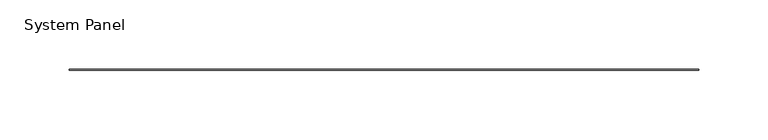
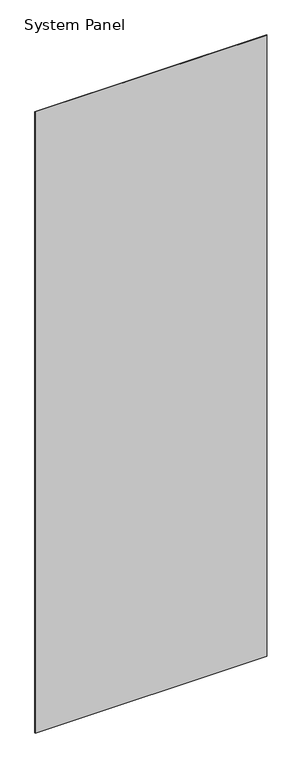
"""IFC4 building model written with IfcOpenShell, lengths in millimetres: plate geometry, System Panel."""

from ifc_helpers import new_model, si_unit, origin, origin_with_axes, place, context, project, spatial, polyline, outline, extrude, source, transform, mapped, element, save


def system_panel_4355e656(model_context):
    return source(origin(), model_context, "Body", "SweptSolid", [
        extrude(outline(polyline([(226.8855, -0.2480469), (-226.8855, -0.2480469), (-226.8855, 0.2480469), (226.8855, 0.2480469), (226.8855, -0.2480469)])), origin_with_axes(), (0.0, 0.0, 1.0), 1285.875),
    ])


if __name__ == "__main__":
    model = new_model("IFC4")
    model_context = context("Model", 3, world=origin())
    ifc_project = project(units=[si_unit("LENGTHUNIT", "METRE", prefix="MILLI")], contexts=[model_context])
    site = spatial("IfcSite", under=ifc_project)
    building = spatial("IfcBuilding", under=site)
    placement = place(None, origin())
    system_panel_shape = system_panel_4355e656(model_context)
    element("IfcPlate", 1, ObjectType="System Panel", at=placement, inside=building, context=model_context, shape_type="MappedRepresentation", body=[
        mapped(system_panel_shape, transform((0.0, 0.0, 0.0), x_axis=(1.0, 0.0, 0.0), y_axis=(0.0, 1.0, 0.0), z_axis=(0.0, 0.0, 1.0))),
    ])
    save(model, "model.ifc")
